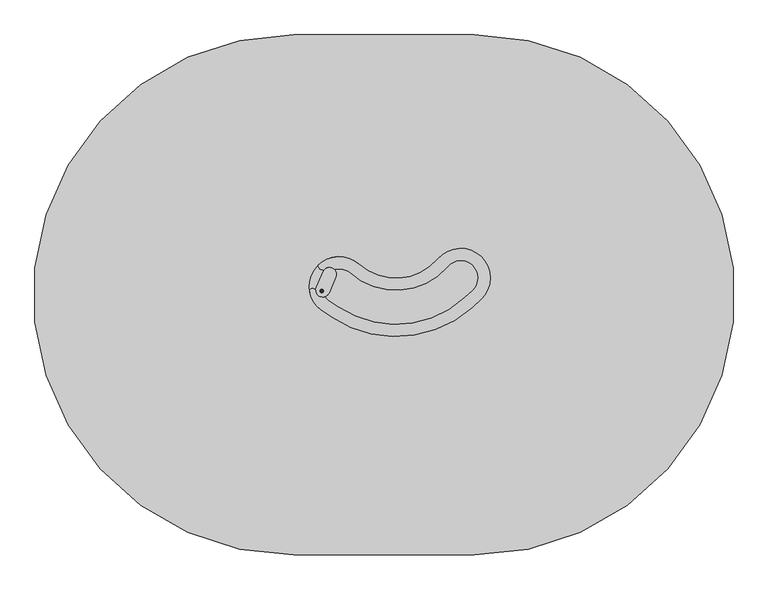
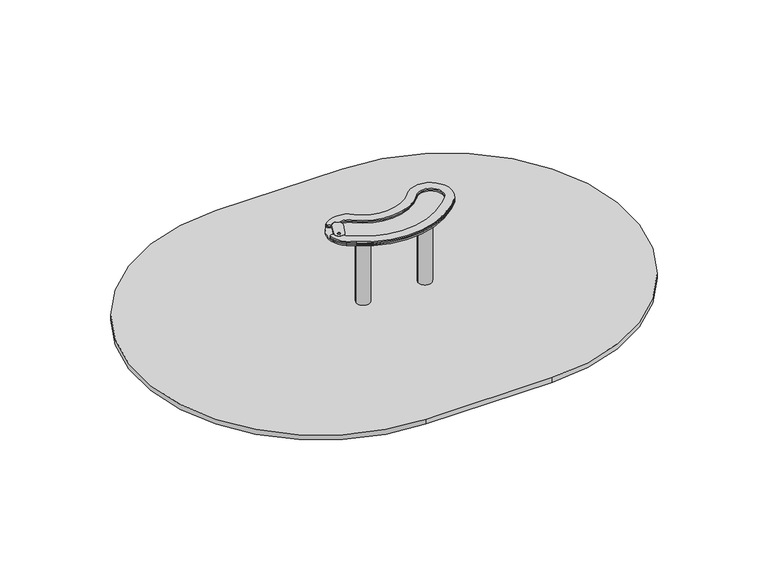
"""IFC4 building model written with IfcOpenShell, lengths in millimetres: furniture geometry."""

from ifc_helpers import new_model, si_unit, point, frame, frame_2d, origin, place, context, project, spatial, polyline, circle_curve, trimmed, segment, composite_curve, outline, extrude, source, transform, mapped, element, save
from ifc_brep_helpers import plane_surface, cylinder_surface, revolved_surface, extruded_surface, advanced_brep


def furniture_5bd40749(model_context):
    return source(origin(), model_context, "Body", "SolidModel", [
        extrude(outline(composite_curve([segment(trimmed(circle_curve(frame_2d((-252.0, 0.0)), 55.0), [point((-307.0, 0.0))], [point((-197.0, 0.0))], False, "CARTESIAN"), True, "CONTINUOUS"), segment(trimmed(circle_curve(frame_2d((-252.0, 0.0)), 55.0), [point((-197.0, 0.0))], [point((-307.0, 0.0))], False, "CARTESIAN"), True, "CONTINUOUS")], self_intersect=False)), frame((0.0, 0.0, -600.0), z_axis=(0.0, 0.0, 1.0), x_axis=(1.0, 0.0, 0.0)), (0.0, 0.0, 1.0), 500.0),
        advanced_brep(
        [(-162.0, 150.0, -600.0), (-102.0, 90.0, -600.0), (-102.0, -90.0, -600.0), (-162.0, -150.0, -600.0), (-342.0, -150.0, -600.0), (-402.0, -90.0, -600.0), (-402.0, 90.0, -600.0), (-342.0, 150.0, -600.0), (-342.0, 150.0, -460.0), (-162.0, 150.0, -460.0), (-402.0, -90.0, -460.0), (-402.0, 90.0, -460.0), (-162.0, -150.0, -460.0), (-342.0, -150.0, -460.0), (-102.0, 90.0, -460.0), (-102.0, -90.0, -460.0), (-264.2959549, 72.6989403, -250.0), (-324.2959549, 12.6989403, -250.0), (-324.2959549, -12.6989403, -250.0), (-264.2959549, -72.6989403, -250.0), (-239.7040451, -72.6989403, -250.0), (-179.7040451, -12.6989403, -250.0), (-179.7040451, 12.6989403, -250.0), (-239.7040451, 72.6989403, -250.0)],
        [
            (0, 1, circle_curve(frame((-162.0, 90.0, -600.0), z_axis=(0.0, 0.0, -1.0), x_axis=(1.0, 0.0, 0.0)), 60.0)),
            (1, 2),
            (2, 3, circle_curve(frame((-162.0, -90.0, -600.0), z_axis=(0.0, 0.0, -1.0), x_axis=(1.0, 0.0, 0.0)), 60.0)),
            (3, 4),
            (4, 5, circle_curve(frame((-342.0, -90.0, -600.0), z_axis=(0.0, 0.0, -1.0), x_axis=(1.0, 0.0, 0.0)), 60.0)),
            (5, 6),
            (6, 7, circle_curve(frame((-342.0, 90.0, -600.0), z_axis=(0.0, 0.0, -1.0), x_axis=(1.0, 0.0, 0.0)), 60.0)),
            (7, 0),
            (7, 8),
            (8, 9),
            (9, 0),
            (5, 10),
            (10, 11),
            (11, 6),
            (3, 12),
            (12, 13),
            (13, 4),
            (1, 14),
            (14, 15),
            (15, 2),
            (16, 17, circle_curve(frame((-264.2959549, 12.6989403, -250.0), z_axis=(0.0, 0.0, 1.0), x_axis=(1.0, 0.0, 0.0)), 60.0)),
            (17, 18),
            (18, 19, circle_curve(frame((-264.2959549, -12.6989403, -250.0), z_axis=(0.0, 0.0, 1.0), x_axis=(1.0, 0.0, 0.0)), 60.0)),
            (19, 20),
            (20, 21, circle_curve(frame((-239.7040451, -12.6989403, -250.0), z_axis=(0.0, 0.0, 1.0), x_axis=(1.0, 0.0, 0.0)), 60.0)),
            (21, 22),
            (22, 23, circle_curve(frame((-239.7040451, 12.6989403, -250.0), z_axis=(0.0, 0.0, 1.0), x_axis=(1.0, 0.0, 0.0)), 60.0)),
            (23, 16),
            (17, 11),
            (10, 18),
            (19, 13),
            (12, 20),
            (21, 15),
            (14, 22),
            (23, 9),
            (8, 16),
            (11, 8, circle_curve(frame((-342.0, 90.0, -460.0), z_axis=(0.0, 0.0, -1.0), x_axis=(1.0, 0.0, 0.0)), 60.0)),
            (13, 10, circle_curve(frame((-342.0, -90.0, -460.0), z_axis=(0.0, 0.0, -1.0), x_axis=(1.0, 0.0, 0.0)), 60.0)),
            (15, 12, circle_curve(frame((-162.0, -90.0, -460.0), z_axis=(0.0, 0.0, -1.0), x_axis=(1.0, 0.0, 0.0)), 60.0)),
            (9, 14, circle_curve(frame((-162.0, 90.0, -460.0), z_axis=(0.0, 0.0, -1.0), x_axis=(1.0, 0.0, 0.0)), 60.0)),
        ],
        [
            plane_surface(frame((-428.6329682, 150.0, -600.0), z_axis=(0.0, 0.0, -1.0), x_axis=(1.0, 0.0, 0.0))),
            plane_surface(frame((-162.0, 150.0, -460.0), z_axis=(0.0, 1.0, 0.0), x_axis=(0.0, 0.0, -1.0))),
            plane_surface(frame((-402.0, 90.0, -460.0), z_axis=(-1.0, 0.0, 0.0), x_axis=(0.0, 0.0, -1.0))),
            plane_surface(frame((-342.0, -150.0, -460.0), z_axis=(0.0, -1.0, 0.0), x_axis=(0.0, 0.0, -1.0))),
            plane_surface(frame((-102.0, -90.0, -460.0), z_axis=(1.0, 0.0, 0.0), x_axis=(0.0, 0.0, -1.0))),
            plane_surface(frame((-252.0, 0.0, -250.0), z_axis=(0.0, 0.0, 1.0), x_axis=(-1.0, 0.0, 0.0))),
            plane_surface(frame((-402.0, 0.0, -460.0), z_axis=(-0.9378559633153523, 0.0, 0.3470247715564883), x_axis=(0.0, -1.0, 0.0))),
            plane_surface(frame((-252.0, -150.0, -460.0), z_axis=(0.0, -0.9384407279810882, 0.3454402988452927), x_axis=(1.0, 0.0, 0.0))),
            plane_surface(frame((-102.0, 0.0, -460.0), z_axis=(0.9378559633153524, 0.0, 0.34702477155648764), x_axis=(0.0, 1.0, 0.0))),
            plane_surface(frame((-252.0, 150.0, -460.0), z_axis=(0.0, 0.9384407279810884, 0.3454402988452924), x_axis=(-1.0, 0.0, 0.0))),
            cylinder_surface(frame((-342.0, 90.0, -600.0), z_axis=(0.0, 0.0, 1.0), x_axis=(1.0, 0.0, 0.0)), 60.0),
            cylinder_surface(frame((-342.0, -90.0, -600.0), z_axis=(0.0, 0.0, 1.0), x_axis=(1.0, 0.0, 0.0)), 60.0),
            cylinder_surface(frame((-162.0, -90.0, -600.0), z_axis=(0.0, 0.0, 1.0), x_axis=(1.0, 0.0, 0.0)), 60.0),
            cylinder_surface(frame((-162.0, 90.0, -600.0), z_axis=(0.0, 0.0, 1.0), x_axis=(1.0, 0.0, 0.0)), 60.0),
            extruded_surface(trimmed(circle_curve(frame((-342.0, 90.0, -460.0), z_axis=(0.0, 0.0, 1.0), x_axis=(1.0, 0.0, 0.0)), 60.0), [point((-342.0, 150.0, -460.0))], [point((-402.0, 90.0, -460.0))], True, "CARTESIAN"), (77.70404509999997, -77.3010597, 210.0), 236.8826132404947),
            extruded_surface(trimmed(circle_curve(frame((-162.0, 90.0, -460.0), z_axis=(0.0, 0.0, 1.0), x_axis=(1.0, 0.0, 0.0)), 60.0), [point((-102.0, 90.0, -460.0))], [point((-162.0, 150.0, -460.0))], True, "CARTESIAN"), (-77.7040451, -77.3010597, 210.0), 236.8826132404947),
            extruded_surface(trimmed(circle_curve(frame((-342.0, -90.0, -460.0), z_axis=(0.0, 0.0, 1.0), x_axis=(1.0, 0.0, 0.0)), 60.0), [point((-402.0, -90.0, -460.0))], [point((-342.0, -150.0, -460.0))], True, "CARTESIAN"), (77.70404509999997, 77.3010597, 210.0), 236.8826132404947),
            extruded_surface(trimmed(circle_curve(frame((-162.0, -90.0, -460.0), z_axis=(0.0, 0.0, 1.0), x_axis=(1.0, 0.0, 0.0)), 60.0), [point((-162.0, -150.0, -460.0))], [point((-102.0, -90.0, -460.0))], True, "CARTESIAN"), (-77.7040451, 77.3010597, 210.0), 236.8826132404947),
        ],
        [
            (0, [[1, 2, 3, 4, 5, 6, 7, 8]]),
            (1, [[-8, 9, 10, 11]]),
            (2, [[-6, 12, 13, 14]]),
            (3, [[-4, 15, 16, 17]]),
            (4, [[-2, 18, 19, 20]]),
            (5, [[21, 22, 23, 24, 25, 26, 27, 28]]),
            (6, [[-22, 29, -13, 30]]),
            (7, [[-24, 31, -16, 32]]),
            (8, [[-26, 33, -19, 34]]),
            (9, [[-28, 35, -10, 36]]),
            (10, [[-7, -14, 37, -9]]),
            (11, [[-5, -17, 38, -12]]),
            (12, [[-3, -20, 39, -15]]),
            (13, [[-1, -11, 40, -18]]),
            (14, [[-21, -36, -37, -29]]),
            (15, [[-27, -34, -40, -35]]),
            (16, [[-23, -30, -38, -31]]),
            (17, [[-25, -32, -39, -33]]),
        ],
    ),
        extrude(outline(composite_curve([segment(trimmed(circle_curve(frame_2d((257.0, 0.0)), 55.0), [point((202.0, 0.0))], [point((312.0, 0.0))], False, "CARTESIAN"), True, "CONTINUOUS"), segment(trimmed(circle_curve(frame_2d((257.0, 0.0)), 55.0), [point((312.0, 0.0))], [point((202.0, 0.0))], False, "CARTESIAN"), True, "CONTINUOUS")], self_intersect=False)), frame((0.0, 0.0, -600.0), z_axis=(0.0, 0.0, 1.0), x_axis=(1.0, 0.0, 0.0)), (0.0, 0.0, 1.0), 500.0),
        advanced_brep(
        [(347.0, 150.0, -600.0), (407.0, 90.0, -600.0), (407.0, -90.0, -600.0), (347.0, -150.0, -600.0), (167.0, -150.0, -600.0), (107.0, -90.0, -600.0), (107.0, 90.0, -600.0), (167.0, 150.0, -600.0), (167.0, 150.0, -460.0), (347.0, 150.0, -460.0), (107.0, -90.0, -460.0), (107.0, 90.0, -460.0), (347.0, -150.0, -460.0), (167.0, -150.0, -460.0), (407.0, 90.0, -460.0), (407.0, -90.0, -460.0), (244.7040451, 72.6989403, -250.0), (184.7040451, 12.6989403, -250.0), (184.7040451, -12.6989403, -250.0), (244.7040451, -72.6989403, -250.0), (269.2959549, -72.6989403, -250.0), (329.2959549, -12.6989403, -250.0), (329.2959549, 12.6989403, -250.0), (269.2959549, 72.6989403, -250.0)],
        [
            (0, 1, circle_curve(frame((347.0, 90.0, -600.0), z_axis=(0.0, 0.0, -1.0), x_axis=(1.0, 0.0, 0.0)), 60.0)),
            (1, 2),
            (2, 3, circle_curve(frame((347.0, -90.0, -600.0), z_axis=(0.0, 0.0, -1.0), x_axis=(1.0, 0.0, 0.0)), 60.0)),
            (3, 4),
            (4, 5, circle_curve(frame((167.0, -90.0, -600.0), z_axis=(0.0, 0.0, -1.0), x_axis=(1.0, 0.0, 0.0)), 60.0)),
            (5, 6),
            (6, 7, circle_curve(frame((167.0, 90.0, -600.0), z_axis=(0.0, 0.0, -1.0), x_axis=(1.0, 0.0, 0.0)), 60.0)),
            (7, 0),
            (7, 8),
            (8, 9),
            (9, 0),
            (5, 10),
            (10, 11),
            (11, 6),
            (3, 12),
            (12, 13),
            (13, 4),
            (1, 14),
            (14, 15),
            (15, 2),
            (16, 17, circle_curve(frame((244.7040451, 12.6989403, -250.0), z_axis=(0.0, 0.0, 1.0), x_axis=(1.0, 0.0, 0.0)), 60.0)),
            (17, 18),
            (18, 19, circle_curve(frame((244.7040451, -12.6989403, -250.0), z_axis=(0.0, 0.0, 1.0), x_axis=(1.0, 0.0, 0.0)), 60.0)),
            (19, 20),
            (20, 21, circle_curve(frame((269.2959549, -12.6989403, -250.0), z_axis=(0.0, 0.0, 1.0), x_axis=(1.0, 0.0, 0.0)), 60.0)),
            (21, 22),
            (22, 23, circle_curve(frame((269.2959549, 12.6989403, -250.0), z_axis=(0.0, 0.0, 1.0), x_axis=(1.0, 0.0, 0.0)), 60.0)),
            (23, 16),
            (17, 11),
            (10, 18),
            (19, 13),
            (12, 20),
            (21, 15),
            (14, 22),
            (23, 9),
            (8, 16),
            (11, 8, circle_curve(frame((167.0, 90.0, -460.0), z_axis=(0.0, 0.0, -1.0), x_axis=(1.0, 0.0, 0.0)), 60.0)),
            (13, 10, circle_curve(frame((167.0, -90.0, -460.0), z_axis=(0.0, 0.0, -1.0), x_axis=(1.0, 0.0, 0.0)), 60.0)),
            (15, 12, circle_curve(frame((347.0, -90.0, -460.0), z_axis=(0.0, 0.0, -1.0), x_axis=(1.0, 0.0, 0.0)), 60.0)),
            (9, 14, circle_curve(frame((347.0, 90.0, -460.0), z_axis=(0.0, 0.0, -1.0), x_axis=(1.0, 0.0, 0.0)), 60.0)),
        ],
        [
            plane_surface(frame((80.3670318, 150.0, -600.0), z_axis=(0.0, 0.0, -1.0), x_axis=(1.0, 0.0, 0.0))),
            plane_surface(frame((347.0, 150.0, -460.0), z_axis=(0.0, 1.0, 0.0), x_axis=(0.0, 0.0, -1.0))),
            plane_surface(frame((107.0, 90.0, -460.0), z_axis=(-1.0, 0.0, 0.0), x_axis=(0.0, 0.0, -1.0))),
            plane_surface(frame((167.0, -150.0, -460.0), z_axis=(0.0, -1.0, 0.0), x_axis=(0.0, 0.0, -1.0))),
            plane_surface(frame((407.0, -90.0, -460.0), z_axis=(1.0, 0.0, 0.0), x_axis=(0.0, 0.0, -1.0))),
            plane_surface(frame((257.0, 0.0, -250.0), z_axis=(0.0, 0.0, 1.0), x_axis=(-1.0, 0.0, 0.0))),
            plane_surface(frame((107.0, 0.0, -460.0), z_axis=(-0.9378559633153523, 0.0, 0.3470247715564883), x_axis=(0.0, -1.0, 0.0))),
            plane_surface(frame((257.0, -150.0, -460.0), z_axis=(0.0, -0.9384407279810882, 0.3454402988452927), x_axis=(1.0, 0.0, 0.0))),
            plane_surface(frame((407.0, 0.0, -460.0), z_axis=(0.9378559633153524, 0.0, 0.34702477155648764), x_axis=(0.0, 1.0, 0.0))),
            plane_surface(frame((257.0, 150.0, -460.0), z_axis=(0.0, 0.9384407279810884, 0.3454402988452924), x_axis=(-1.0, 0.0, 0.0))),
            cylinder_surface(frame((167.0, 90.0, -600.0), z_axis=(0.0, 0.0, 1.0), x_axis=(1.0, 0.0, 0.0)), 60.0),
            cylinder_surface(frame((167.0, -90.0, -600.0), z_axis=(0.0, 0.0, 1.0), x_axis=(1.0, 0.0, 0.0)), 60.0),
            cylinder_surface(frame((347.0, -90.0, -600.0), z_axis=(0.0, 0.0, 1.0), x_axis=(1.0, 0.0, 0.0)), 60.0),
            cylinder_surface(frame((347.0, 90.0, -600.0), z_axis=(0.0, 0.0, 1.0), x_axis=(1.0, 0.0, 0.0)), 60.0),
            extruded_surface(trimmed(circle_curve(frame((167.0, 90.0, -460.0), z_axis=(0.0, 0.0, 1.0), x_axis=(1.0, 0.0, 0.0)), 60.0), [point((167.0, 150.0, -460.0))], [point((107.0, 90.0, -460.0))], True, "CARTESIAN"), (77.7040451, -77.3010597, 210.0), 236.8826132404947),
            extruded_surface(trimmed(circle_curve(frame((347.0, 90.0, -460.0), z_axis=(0.0, 0.0, 1.0), x_axis=(1.0, 0.0, 0.0)), 60.0), [point((407.0, 90.0, -460.0))], [point((347.0, 150.0, -460.0))], True, "CARTESIAN"), (-77.70404509999997, -77.3010597, 210.0), 236.8826132404947),
            extruded_surface(trimmed(circle_curve(frame((167.0, -90.0, -460.0), z_axis=(0.0, 0.0, 1.0), x_axis=(1.0, 0.0, 0.0)), 60.0), [point((107.0, -90.0, -460.0))], [point((167.0, -150.0, -460.0))], True, "CARTESIAN"), (77.7040451, 77.3010597, 210.0), 236.8826132404947),
            extruded_surface(trimmed(circle_curve(frame((347.0, -90.0, -460.0), z_axis=(0.0, 0.0, 1.0), x_axis=(1.0, 0.0, 0.0)), 60.0), [point((347.0, -150.0, -460.0))], [point((407.0, -90.0, -460.0))], True, "CARTESIAN"), (-77.70404509999997, 77.3010597, 210.0), 236.8826132404947),
        ],
        [
            (0, [[1, 2, 3, 4, 5, 6, 7, 8]]),
            (1, [[-8, 9, 10, 11]]),
            (2, [[-6, 12, 13, 14]]),
            (3, [[-4, 15, 16, 17]]),
            (4, [[-2, 18, 19, 20]]),
            (5, [[21, 22, 23, 24, 25, 26, 27, 28]]),
            (6, [[-22, 29, -13, 30]]),
            (7, [[-24, 31, -16, 32]]),
            (8, [[-26, 33, -19, 34]]),
            (9, [[-28, 35, -10, 36]]),
            (10, [[-7, -14, 37, -9]]),
            (11, [[-5, -17, 38, -12]]),
            (12, [[-3, -20, 39, -15]]),
            (13, [[-1, -11, 40, -18]]),
            (14, [[-21, -36, -37, -29]]),
            (15, [[-27, -34, -40, -35]]),
            (16, [[-23, -30, -38, -31]]),
            (17, [[-25, -32, -39, -33]]),
        ],
    ),
        extrude(outline(composite_curve([segment(polyline([(440.0, -1500.0), (-600.0, -1500.0)]), True, "CONTINUOUS"), segment(trimmed(circle_curve(frame_2d((-600.0, 0.0)), 1500.0), [point((-600.0, -1500.0))], [point((-600.0, 1500.0))], False, "CARTESIAN"), True, "CONTINUOUS"), segment(polyline([(-600.0, 1500.0), (440.0, 1500.0)]), True, "CONTINUOUS"), segment(trimmed(circle_curve(frame_2d((440.0, 0.0)), 1500.0), [point((440.0, 1500.0))], [point((440.0, -1500.0))], False, "CARTESIAN"), True, "CONTINUOUS")], self_intersect=False)), frame((0.0, 0.0, -40.0), z_axis=(0.0, 0.0, 1.0), x_axis=(1.0, 0.0, 0.0)), (0.0, 0.0, 1.0), 41.0),
        extrude(outline(composite_curve([segment(trimmed(circle_curve(frame_2d((-339.6743501, 49.7956338)), 170.9145953), [point((-499.9763296, 109.0836953))], [point((-226.5680279, 177.9313382))], False, "CARTESIAN"), True, "CONTINUOUS"), segment(trimmed(circle_curve(frame_2d((-12.1542247, 420.8360953)), 324.0), [point((-226.5680279, 177.9313382))], [point((230.7505323, 206.4222921))], True, "CARTESIAN"), True, "CONTINUOUS"), segment(trimmed(circle_curve(frame_2d((-19.8689308, 427.6459227)), 334.290308), [point((230.7505323, 206.4222921))], [point((233.2077943, 209.2376324))], True, "CARTESIAN"), True, "CONTINUOUS"), segment(trimmed(circle_curve(frame_2d((362.0588485, 98.0376063)), 170.2), [point((233.2077943, 209.2376324))], [point((479.8654369, -24.8023211))], False, "CARTESIAN"), True, "CONTINUOUS"), segment(trimmed(circle_curve(frame_2d((1820.8351158, -1577.064014)), 2051.2718112), [point((479.8654369, -24.8023211))], [point((427.1869955, -71.9191838))], True, "CARTESIAN"), True, "CONTINUOUS"), segment(trimmed(circle_curve(frame_2d((-12.9804367, 420.204717)), 660.2524533), [point((427.1869955, -71.9191838))], [point((-382.1385433, -127.2033524))], False, "CARTESIAN"), True, "CONTINUOUS"), segment(trimmed(circle_curve(frame_2d((132.6681411, 705.9932704)), 979.4092784), [point((-382.1385433, -127.2033524))], [point((-442.0752799, -87.0467882))], False, "CARTESIAN"), True, "CONTINUOUS"), segment(trimmed(circle_curve(frame_2d((-339.6743501, 49.7956338)), 170.9145953), [point((-442.0752799, -87.0467882))], [point((-499.9763296, 109.0836953))], False, "CARTESIAN"), True, "CONTINUOUS")], self_intersect=False)), frame((0.0, 0.0, 605.0), z_axis=(0.0, 0.0, 1.0), x_axis=(1.0, 0.0, 0.0)), (0.0, 0.0, 1.0), 12.0),
        extrude(outline(composite_curve([segment(trimmed(circle_curve(frame_2d((-13.0467882, 420.241714)), 590.2524185), [point((-344.2734728, -68.3141179))], [point((385.1658371, -15.4469623))], True, "CARTESIAN"), True, "CONTINUOUS"), segment(trimmed(circle_curve(frame_2d((1820.8351168, -1577.064014)), 2121.2718112), [point((385.1658371, -15.4469623))], [point((432.5352087, 26.8117487))], False, "CARTESIAN"), True, "CONTINUOUS"), segment(trimmed(circle_curve(frame_2d((362.0588495, 98.0376063)), 100.2), [point((432.5352087, 26.8117487))], [point((286.2017658, 163.5031916))], True, "CARTESIAN"), True, "CONTINUOUS"), segment(trimmed(circle_curve(frame_2d((-19.8689299, 427.6459227)), 404.290308), [point((286.2017658, 163.5031916))], [point((283.2299561, 160.0983223))], False, "CARTESIAN"), True, "CONTINUOUS"), segment(trimmed(circle_curve(frame_2d((-12.1542238, 420.8360953)), 394.0), [point((283.2299561, 160.0983223))], [point((-272.8919968, 125.4519154))], False, "CARTESIAN"), True, "CONTINUOUS"), segment(trimmed(circle_curve(frame_2d((-339.6743492, 49.7956338)), 100.9145953), [point((-272.8919968, 125.4519154))], [point((-363.2378433, 147.9206422))], True, "CARTESIAN"), True, "CONTINUOUS"), segment(trimmed(circle_curve(frame_2d((-363.8215918, 150.3515346)), 2.5), [point((-363.2378433, 147.9206422))], [point((-365.5876254, 148.582036))], False, "CARTESIAN"), True, "CONTINUOUS"), segment(trimmed(circle_curve(frame_2d((-394.5505768, 119.5622593)), 41.0), [point((-365.5876254, 148.582036))], [point((-426.859533, 144.8037202))], True, "CARTESIAN"), True, "CONTINUOUS"), segment(trimmed(circle_curve(frame_2d((-428.8295913, 146.3428337)), 2.5), [point((-426.859533, 144.8037202))], [point((-428.710634, 143.8456655))], False, "CARTESIAN"), True, "CONTINUOUS"), segment(trimmed(circle_curve(frame_2d((-430.1427801, 173.9094923)), 30.097919), [point((-428.710634, 143.8456655))], [point((-459.9597567, 169.8067332))], False, "CARTESIAN"), True, "CONTINUOUS"), segment(trimmed(circle_curve(frame_2d((-457.4830924, 170.1475175)), 2.5), [point((-459.9597567, 169.8067332))], [point((-459.231883, 171.9340593))], False, "CARTESIAN"), True, "CONTINUOUS"), segment(trimmed(circle_curve(frame_2d((-339.6743492, 49.7956338)), 170.9145953), [point((-459.231883, 171.9340593))], [point((-226.568027, 177.9313382))], False, "CARTESIAN"), True, "CONTINUOUS"), segment(trimmed(circle_curve(frame_2d((-12.1542238, 420.8360953)), 324.0), [point((-226.568027, 177.9313382))], [point((230.7505333, 206.4222921))], True, "CARTESIAN"), True, "CONTINUOUS"), segment(trimmed(circle_curve(frame_2d((-19.8689299, 427.6459227)), 334.290308), [point((230.7505333, 206.4222921))], [point((233.2077952, 209.2376324))], True, "CARTESIAN"), True, "CONTINUOUS"), segment(trimmed(circle_curve(frame_2d((362.0588495, 98.0376063)), 170.2), [point((233.2077952, 209.2376324))], [point((479.8654378, -24.8023211))], False, "CARTESIAN"), True, "CONTINUOUS"), segment(trimmed(circle_curve(frame_2d((1820.8351168, -1577.064014)), 2051.2718112), [point((479.8654378, -24.8023211))], [point((427.1869964, -71.9191838))], True, "CARTESIAN"), True, "CONTINUOUS"), segment(trimmed(circle_curve(frame_2d((-12.9804358, 420.204717)), 660.2524533), [point((427.1869964, -71.9191838))], [point((-382.1385424, -127.2033524))], False, "CARTESIAN"), True, "CONTINUOUS"), segment(trimmed(circle_curve(frame_2d((132.668142, 705.9932704)), 979.4092784), [point((-382.1385424, -127.2033524))], [point((-442.075279, -87.0467882))], False, "CARTESIAN"), True, "CONTINUOUS"), segment(trimmed(circle_curve(frame_2d((-339.6743492, 49.7956338)), 170.9145953), [point((-442.075279, -87.0467882))], [point((-508.8727897, 25.6360267))], False, "CARTESIAN"), True, "CONTINUOUS"), segment(trimmed(circle_curve(frame_2d((-506.3978922, 25.9894138)), 2.5), [point((-508.8727897, 25.6360267))], [point((-508.4702543, 27.3877397))], False, "CARTESIAN"), True, "CONTINUOUS"), segment(trimmed(circle_curve(frame_2d((-491.674285, 16.0546634)), 20.2618658), [point((-508.4702543, 27.3877397))], [point((-475.0535697, 27.6432364))], False, "CARTESIAN"), True, "CONTINUOUS"), segment(trimmed(circle_curve(frame_2d((-477.1043082, 26.2133862)), 2.5), [point((-475.0535697, 27.6432364))], [point((-474.6054221, 26.2880062))], False, "CARTESIAN"), True, "CONTINUOUS"), segment(trimmed(circle_curve(frame_2d((-433.6236897, 27.5117739)), 41.0), [point((-474.6054221, 26.2880062))], [point((-421.7067262, -11.7181379))], True, "CARTESIAN"), True, "CONTINUOUS"), segment(trimmed(circle_curve(frame_2d((-420.9800821, -14.1102057)), 2.5), [point((-421.7067262, -11.7181379))], [point((-419.0145536, -12.5653116))], False, "CARTESIAN"), True, "CONTINUOUS"), segment(trimmed(circle_curve(frame_2d((-339.6743492, 49.7956338)), 100.9145953), [point((-419.0145536, -12.5653116))], [point((-400.5152503, -30.7161063))], True, "CARTESIAN"), True, "CONTINUOUS"), segment(trimmed(circle_curve(frame_2d((132.668142, 705.9932704)), 909.4092784), [point((-400.5152503, -30.7161063))], [point((-344.2734728, -68.3141179))], True, "CARTESIAN"), True, "CONTINUOUS")], self_intersect=False)), frame((0.0, 0.0, 629.0), z_axis=(0.0, 0.0, 1.0), x_axis=(1.0, 0.0, 0.0)), (0.0, 0.0, 1.0), 12.0),
        extrude(outline(composite_curve([segment(trimmed(circle_curve(frame_2d((-13.0467882, 420.241714)), 590.2524185), [point((-344.2734728, -68.3141179))], [point((385.1658371, -15.4469623))], True, "CARTESIAN"), True, "CONTINUOUS"), segment(trimmed(circle_curve(frame_2d((1820.8351168, -1577.064014)), 2121.2718112), [point((385.1658371, -15.4469623))], [point((432.5352087, 26.8117487))], False, "CARTESIAN"), True, "CONTINUOUS"), segment(trimmed(circle_curve(frame_2d((362.0588495, 98.0376063)), 100.2), [point((432.5352087, 26.8117487))], [point((286.2017658, 163.5031916))], True, "CARTESIAN"), True, "CONTINUOUS"), segment(trimmed(circle_curve(frame_2d((-19.8689299, 427.6459227)), 404.290308), [point((286.2017658, 163.5031916))], [point((283.2299561, 160.0983223))], False, "CARTESIAN"), True, "CONTINUOUS"), segment(trimmed(circle_curve(frame_2d((-12.1542238, 420.8360953)), 394.0), [point((283.2299561, 160.0983223))], [point((-272.8919968, 125.4519154))], False, "CARTESIAN"), True, "CONTINUOUS"), segment(trimmed(circle_curve(frame_2d((-339.6743492, 49.7956338)), 100.9145953), [point((-272.8919968, 125.4519154))], [point((-363.2378433, 147.9206422))], True, "CARTESIAN"), True, "CONTINUOUS"), segment(trimmed(circle_curve(frame_2d((-363.8215918, 150.3515346)), 2.5), [point((-363.2378433, 147.9206422))], [point((-365.5876254, 148.582036))], False, "CARTESIAN"), True, "CONTINUOUS"), segment(trimmed(circle_curve(frame_2d((-394.5505768, 119.5622593)), 41.0), [point((-365.5876254, 148.582036))], [point((-426.859533, 144.8037202))], True, "CARTESIAN"), True, "CONTINUOUS"), segment(trimmed(circle_curve(frame_2d((-428.8295913, 146.3428337)), 2.5), [point((-426.859533, 144.8037202))], [point((-428.710634, 143.8456655))], False, "CARTESIAN"), True, "CONTINUOUS"), segment(trimmed(circle_curve(frame_2d((-430.1427801, 173.9094923)), 30.097919), [point((-428.710634, 143.8456655))], [point((-459.9597567, 169.8067332))], False, "CARTESIAN"), True, "CONTINUOUS"), segment(trimmed(circle_curve(frame_2d((-457.4830924, 170.1475175)), 2.5), [point((-459.9597567, 169.8067332))], [point((-459.231883, 171.9340593))], False, "CARTESIAN"), True, "CONTINUOUS"), segment(trimmed(circle_curve(frame_2d((-339.6743492, 49.7956338)), 170.9145953), [point((-459.231883, 171.9340593))], [point((-226.568027, 177.9313382))], False, "CARTESIAN"), True, "CONTINUOUS"), segment(trimmed(circle_curve(frame_2d((-12.1542238, 420.8360953)), 324.0), [point((-226.568027, 177.9313382))], [point((230.7505333, 206.4222921))], True, "CARTESIAN"), True, "CONTINUOUS"), segment(trimmed(circle_curve(frame_2d((-19.8689299, 427.6459227)), 334.290308), [point((230.7505333, 206.4222921))], [point((233.2077952, 209.2376324))], True, "CARTESIAN"), True, "CONTINUOUS"), segment(trimmed(circle_curve(frame_2d((362.0588495, 98.0376063)), 170.2), [point((233.2077952, 209.2376324))], [point((479.8654378, -24.8023211))], False, "CARTESIAN"), True, "CONTINUOUS"), segment(trimmed(circle_curve(frame_2d((1820.8351168, -1577.064014)), 2051.2718112), [point((479.8654378, -24.8023211))], [point((427.1869964, -71.9191838))], True, "CARTESIAN"), True, "CONTINUOUS"), segment(trimmed(circle_curve(frame_2d((-12.9804358, 420.204717)), 660.2524533), [point((427.1869964, -71.9191838))], [point((-382.1385424, -127.2033524))], False, "CARTESIAN"), True, "CONTINUOUS"), segment(trimmed(circle_curve(frame_2d((132.668142, 705.9932704)), 979.4092784), [point((-382.1385424, -127.2033524))], [point((-442.075279, -87.0467882))], False, "CARTESIAN"), True, "CONTINUOUS"), segment(trimmed(circle_curve(frame_2d((-339.6743492, 49.7956338)), 170.9145953), [point((-442.075279, -87.0467882))], [point((-508.8727897, 25.6360267))], False, "CARTESIAN"), True, "CONTINUOUS"), segment(trimmed(circle_curve(frame_2d((-506.3978922, 25.9894138)), 2.5), [point((-508.8727897, 25.6360267))], [point((-508.4702543, 27.3877397))], False, "CARTESIAN"), True, "CONTINUOUS"), segment(trimmed(circle_curve(frame_2d((-491.674285, 16.0546634)), 20.2618658), [point((-508.4702543, 27.3877397))], [point((-475.0535697, 27.6432364))], False, "CARTESIAN"), True, "CONTINUOUS"), segment(trimmed(circle_curve(frame_2d((-477.1043082, 26.2133862)), 2.5), [point((-475.0535697, 27.6432364))], [point((-474.6054221, 26.2880062))], False, "CARTESIAN"), True, "CONTINUOUS"), segment(trimmed(circle_curve(frame_2d((-433.6236897, 27.5117739)), 41.0), [point((-474.6054221, 26.2880062))], [point((-421.7067262, -11.7181379))], True, "CARTESIAN"), True, "CONTINUOUS"), segment(trimmed(circle_curve(frame_2d((-420.9800821, -14.1102057)), 2.5), [point((-421.7067262, -11.7181379))], [point((-419.0145536, -12.5653116))], False, "CARTESIAN"), True, "CONTINUOUS"), segment(trimmed(circle_curve(frame_2d((-339.6743492, 49.7956338)), 100.9145953), [point((-419.0145536, -12.5653116))], [point((-400.5152503, -30.7161063))], True, "CARTESIAN"), True, "CONTINUOUS"), segment(trimmed(circle_curve(frame_2d((132.668142, 705.9932704)), 909.4092784), [point((-400.5152503, -30.7161063))], [point((-344.2734728, -68.3141179))], True, "CARTESIAN"), True, "CONTINUOUS")], self_intersect=False)), frame((0.0, 0.0, 617.0), z_axis=(0.0, 0.0, 1.0), x_axis=(1.0, 0.0, 0.0)), (0.0, 0.0, 1.0), 12.0),
        extrude(outline(composite_curve([segment(trimmed(circle_curve(frame_2d((-252.0, 0.0)), 55.0), [point((-307.0, 0.0))], [point((-197.0, 0.0))], False, "CARTESIAN"), True, "CONTINUOUS"), segment(trimmed(circle_curve(frame_2d((-252.0, 0.0)), 55.0), [point((-197.0, 0.0))], [point((-307.0, 0.0))], False, "CARTESIAN"), True, "CONTINUOUS")], self_intersect=False)), frame((0.0, 0.0, -100.0), z_axis=(0.0, 0.0, 1.0), x_axis=(1.0, 0.0, 0.0)), (0.0, 0.0, 1.0), 705.0),
        extrude(outline(composite_curve([segment(trimmed(circle_curve(frame_2d((257.0, 0.0)), 55.0), [point((202.0, 0.0))], [point((312.0, 0.0))], False, "CARTESIAN"), True, "CONTINUOUS"), segment(trimmed(circle_curve(frame_2d((257.0, 0.0)), 55.0), [point((312.0, 0.0))], [point((202.0, 0.0))], False, "CARTESIAN"), True, "CONTINUOUS")], self_intersect=False)), frame((0.0, 0.0, -100.0), z_axis=(0.0, 0.0, 1.0), x_axis=(1.0, 0.0, 0.0)), (0.0, 0.0, 1.0), 705.0),
        extrude(outline(composite_curve([segment(trimmed(circle_curve(frame_2d((-394.5505768, 119.5622593)), 40.0), [point((-431.370771, 135.1915044))], [point((-357.7303827, 103.9330141))], False, "CARTESIAN"), True, "CONTINUOUS"), segment(polyline([(-357.7303827, 103.9330141), (-396.8034955, 11.8825288)]), True, "CONTINUOUS"), segment(trimmed(circle_curve(frame_2d((-433.6236897, 27.5117739)), 40.0), [point((-396.8034955, 11.8825288))], [point((-470.4438838, 43.1410191))], False, "CARTESIAN"), True, "CONTINUOUS"), segment(polyline([(-470.4438838, 43.1410191), (-431.370771, 135.1915044)]), True, "CONTINUOUS")], self_intersect=False)), frame((0.0, 0.0, 617.0), z_axis=(0.0, 0.0, 1.0), x_axis=(1.0, 0.0, 0.0)), (0.0, 0.0, 1.0), 24.0),
        advanced_brep(
        [(-443.3078237, 24.7476607, 649.0), (-434.1027752, 20.8403494, 649.0), (-449.7513577, 27.4827786, 641.0), (-427.6592412, 18.1052315, 641.0)],
        [
            (0, 1, circle_curve(frame((-438.7052994, 22.794005, 649.0), z_axis=(0.0, 0.0, 1.0), x_axis=(-0.920504853452426, 0.39073112848930736, 0.0)), 5.0)),
            (1, 0, circle_curve(frame((-438.7052994, 22.794005, 649.0), z_axis=(0.0, 0.0, 1.0), x_axis=(0.9205048534524285, -0.3907311284893015, 0.0)), 5.0)),
            (2, 3, circle_curve(frame((-438.7052994, 22.794005, 641.0), z_axis=(0.0, 0.0, -1.0), x_axis=(0.9205048534524285, -0.3907311284893015, 0.0)), 12.0)),
            (3, 2, circle_curve(frame((-438.7052994, 22.794005, 641.0), z_axis=(0.0, 0.0, -1.0), x_axis=(-0.920504853452426, 0.39073112848930736, 0.0)), 12.0)),
            (3, 1),
            (0, 2),
        ],
        [
            plane_surface(frame((-438.7052994, 22.794005, 649.0), z_axis=(0.0, 0.0, 1.0000000000000002), x_axis=(-0.3907311284893066, -0.9205048534524265, 0.0))),
            plane_surface(frame((-438.7052994, 22.794005, 641.0), z_axis=(0.0, 0.0, -1.0000000000000002), x_axis=(-0.3907311284893066, -0.9205048534524265, 0.0))),
            revolved_surface(polyline([(-443.30782368495466, 24.747660663817584, 649.0), (-449.7513577, 27.4827786, 641.0)]), (-438.7052994, 22.794005, 654.7142857), (0.0, 0.0, -1.0)),
            revolved_surface(polyline([(-434.102775156712, 20.84034937784908, 649.0), (-427.6592412, 18.1052315, 641.0)]), (-438.7052994, 22.794005, 654.7142857), (0.0, 0.0, -1.0)),
        ],
        [
            (0, [[1, 2]]),
            (1, [[3, 4]]),
            (2, [[-4, 5, -1, 6]]),
            (3, [[-3, -6, -2, -5]]),
        ],
    ),
    ])


if __name__ == "__main__":
    model = new_model("IFC4")
    model_context = context("Model", 3, world=origin())
    ifc_project = project(units=[si_unit("LENGTHUNIT", "METRE", prefix="MILLI")], contexts=[model_context])
    site = spatial("IfcSite", under=ifc_project)
    building = spatial("IfcBuilding", under=site)
    placement = place(None, origin())
    furniture_shape = furniture_5bd40749(model_context)
    element("IfcFurniture", 1, at=placement, inside=building, context=model_context, shape_type="MappedRepresentation", body=[
        mapped(furniture_shape, transform((0.0, 0.0, 0.0), x_axis=(1.0, 0.0, 0.0), y_axis=(0.0, 1.0, 0.0), z_axis=(0.0, 0.0, 1.0))),
    ])
    save(model, "model.ifc")
